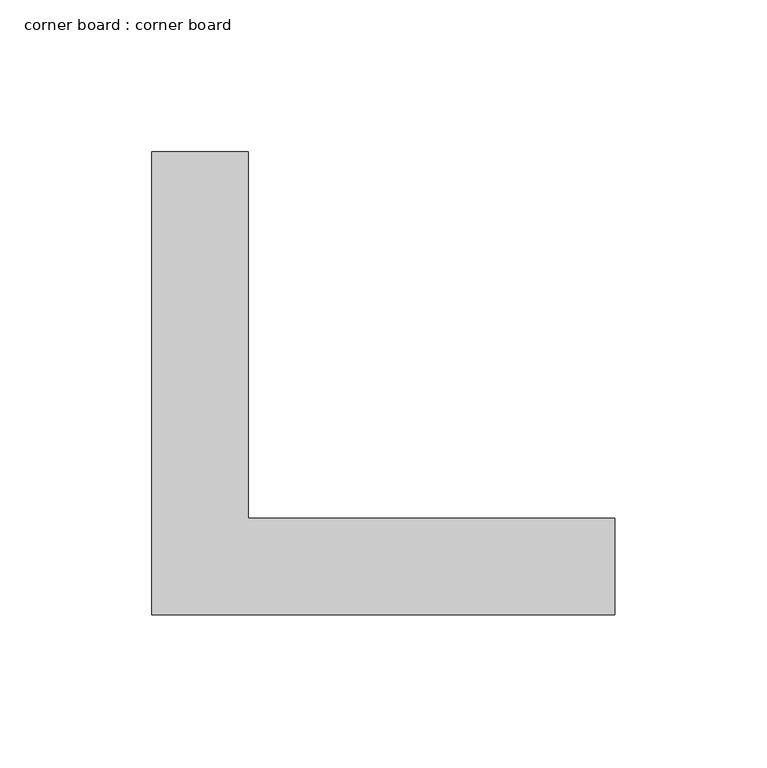
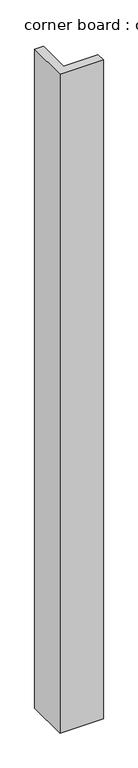
"""IFC4 building model written with IfcOpenShell, lengths in millimetres: proxy geometry, corner board : corner board."""

from ifc_helpers import new_model, si_unit, origin, origin_with_axes, place, context, project, spatial, polyline, outline, extrude, source, transform, mapped, element, save


def corner_board_corner_board_ab140ed7(model_context):
    return source(origin(), model_context, "Body", "SweptSolid", [
        extrude(outline(polyline([(0.0, 120.65), (0.0, 0.0), (120.65, 0.0), (120.65, -31.75), (-31.75, -31.75), (-31.75, 120.65), (0.0, 120.65)])), origin_with_axes(), (0.0, 0.0, 1.0), 2438.4),
    ])


if __name__ == "__main__":
    model = new_model("IFC4")
    model_context = context("Model", 3, world=origin())
    ifc_project = project(units=[si_unit("LENGTHUNIT", "METRE", prefix="MILLI")], contexts=[model_context])
    site = spatial("IfcSite", under=ifc_project)
    building = spatial("IfcBuilding", under=site)
    placement = place(None, origin())
    corner_board_corner_board_shape = corner_board_corner_board_ab140ed7(model_context)
    element("IfcBuildingElementProxy", 1, Name="corner board : corner board", ObjectType="corner board : corner board", at=placement, inside=building, context=model_context, shape_type="MappedRepresentation", body=[
        mapped(corner_board_corner_board_shape, transform((0.0, 0.0, 0.0), x_axis=(1.0, 0.0, 0.0), y_axis=(0.0, 1.0, 0.0), z_axis=(0.0, 0.0, 1.0))),
    ])
    save(model, "model.ifc")
